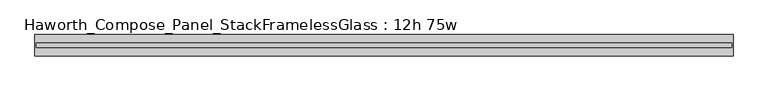
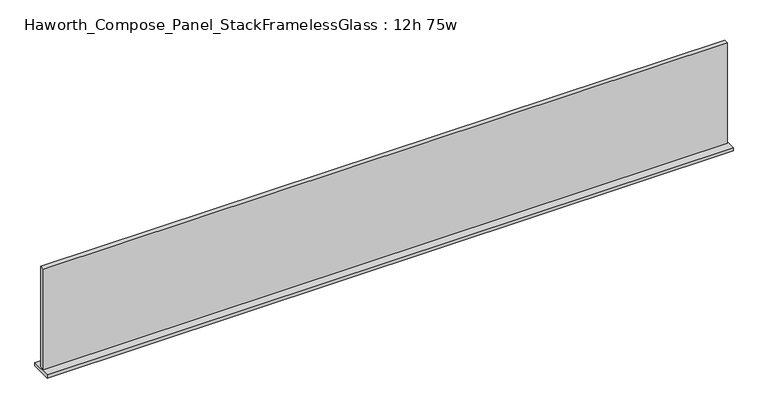
"""IFC4 building model written with IfcOpenShell, lengths in millimetres: furniture geometry, Haworth_Compose_Panel_StackFramelessGlass : 12h 75w."""

from ifc_helpers import new_model, si_unit, frame, origin, place, context, project, spatial, polyline, outline, extrude, source, transform, mapped, element, save


def haworth_compose_panel_stackframelessglass_12h_75w_7741542b(model_context):
    return source(origin(), model_context, "Body", "SweptSolid", [
        extrude(outline(polyline([(951.7652902, -27.3093594), (-946.8847098, -27.3093594), (-946.8847098, -14.6093594), (951.7652902, -14.6093594), (951.7652902, -27.3093594)])), frame((0.0, 0.0, 1279.525), z_axis=(0.0, 0.0, 1.0), x_axis=(1.0, 0.0, 0.0)), (0.0, 0.0, 1.0), 295.275),
        extrude(outline(polyline([(-950.0597098, -50.3281094), (-950.0597098, 8.4093906), (954.9402902, 8.4093906), (954.9402902, -50.3281094), (-950.0597098, -50.3281094)])), frame((0.0, 0.0, 1270.0), z_axis=(0.0, 0.0, 1.0), x_axis=(1.0, 0.0, 0.0)), (0.0, 0.0, 1.0), 9.525),
    ])


if __name__ == "__main__":
    model = new_model("IFC4")
    model_context = context("Model", 3, world=origin())
    ifc_project = project(units=[si_unit("LENGTHUNIT", "METRE", prefix="MILLI")], contexts=[model_context])
    site = spatial("IfcSite", under=ifc_project)
    building = spatial("IfcBuilding", under=site)
    placement = place(None, origin())
    haworth_compose_panel_stackframelessglass_12h_75w_shape = haworth_compose_panel_stackframelessglass_12h_75w_7741542b(model_context)
    element("IfcFurniture", 1, ObjectType="Haworth_Compose_Panel_StackFramelessGlass : 12h 75w", at=placement, inside=building, context=model_context, shape_type="MappedRepresentation", body=[
        mapped(haworth_compose_panel_stackframelessglass_12h_75w_shape, transform((0.0, 0.0, 0.0), x_axis=(1.0, 0.0, 0.0), y_axis=(0.0, 1.0, 0.0), z_axis=(0.0, 0.0, 1.0))),
    ])
    save(model, "model.ifc")
